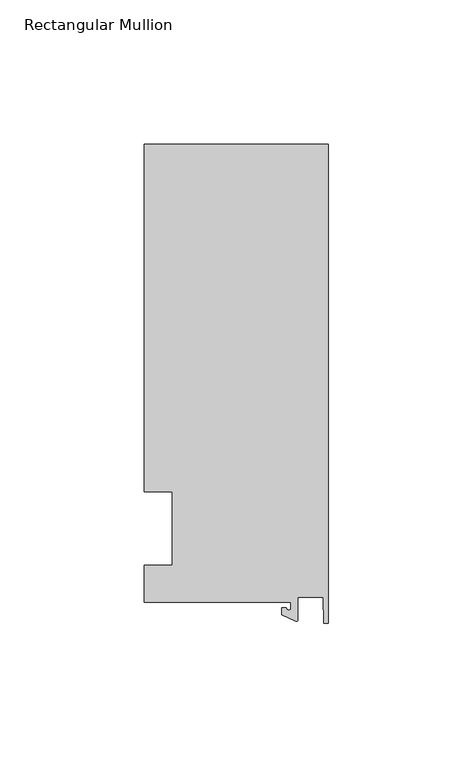
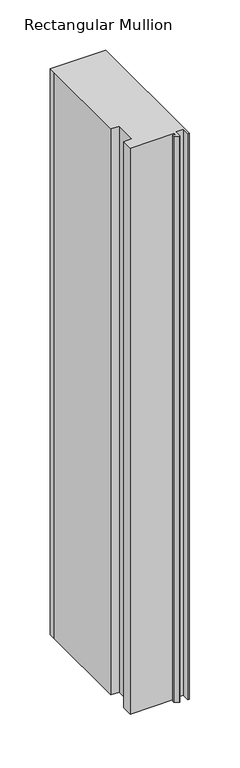
"""IFC4 building model written with IfcOpenShell, lengths in millimetres: member geometry, Rectangular Mullion."""

from ifc_helpers import new_model, si_unit, point, frame, frame_2d, origin, place, context, project, spatial, polyline, circle_curve, trimmed, segment, composite_curve, outline, extrude, source, transform, mapped, element, save


def rectangular_mullion_f76567b4(model_context):
    return source(origin(), model_context, "Body", "SweptSolid", [
        extrude(outline(composite_curve([segment(polyline([(-12.8216721, -25.5984375), (-63.5, -25.5984375), (-63.5, -12.7), (-53.975, -12.7), (-53.975, 12.7), (-63.5, 12.7), (-63.5, 125.075512), (-63.5, 132.822512), (0.0, 132.822512), (0.0, -32.810012), (-1.5566453, -32.810012), (-1.7144124, -23.9227662), (-10.4340721, -23.9227662), (-10.4340721, -31.6795354)]), True, "CONTINUOUS"), segment(trimmed(circle_curve(frame_2d((-10.9420721, -31.6795354)), 0.508), [point((-10.4340721, -31.6795354))], [point((-11.1567622, -32.1399398))], False, "CARTESIAN"), True, "CONTINUOUS"), segment(polyline([(-11.1567622, -32.1399398), (-15.9966721, -29.8830527), (-15.9966721, -27.5208534), (-14.4091721, -27.5208534)]), True, "CONTINUOUS"), segment(trimmed(circle_curve(frame_2d((-13.6154221, -27.5208534)), 0.79375), [point((-14.4091721, -27.5208534))], [point((-12.8216721, -27.5208534))], True, "CARTESIAN"), True, "CONTINUOUS"), segment(polyline([(-12.8216721, -27.5208534), (-12.8216721, -25.5984375)]), True, "CONTINUOUS")], self_intersect=False)), frame((0.0, 0.0, -685.8), z_axis=(0.0, 0.0, 1.0), x_axis=(1.0, 0.0, 0.0)), (0.0, 0.0, 1.0), 685.8),
    ])


if __name__ == "__main__":
    model = new_model("IFC4")
    model_context = context("Model", 3, world=origin())
    ifc_project = project(units=[si_unit("LENGTHUNIT", "METRE", prefix="MILLI")], contexts=[model_context])
    site = spatial("IfcSite", under=ifc_project)
    building = spatial("IfcBuilding", under=site)
    placement = place(None, origin())
    rectangular_mullion_shape = rectangular_mullion_f76567b4(model_context)
    element("IfcMember", 1, ObjectType="Rectangular Mullion", at=placement, inside=building, context=model_context, shape_type="MappedRepresentation", body=[
        mapped(rectangular_mullion_shape, transform((0.0, 0.0, 0.0), x_axis=(1.0, 0.0, 0.0), y_axis=(0.0, 1.0, 0.0), z_axis=(0.0, 0.0, 1.0))),
    ])
    save(model, "model.ifc")
